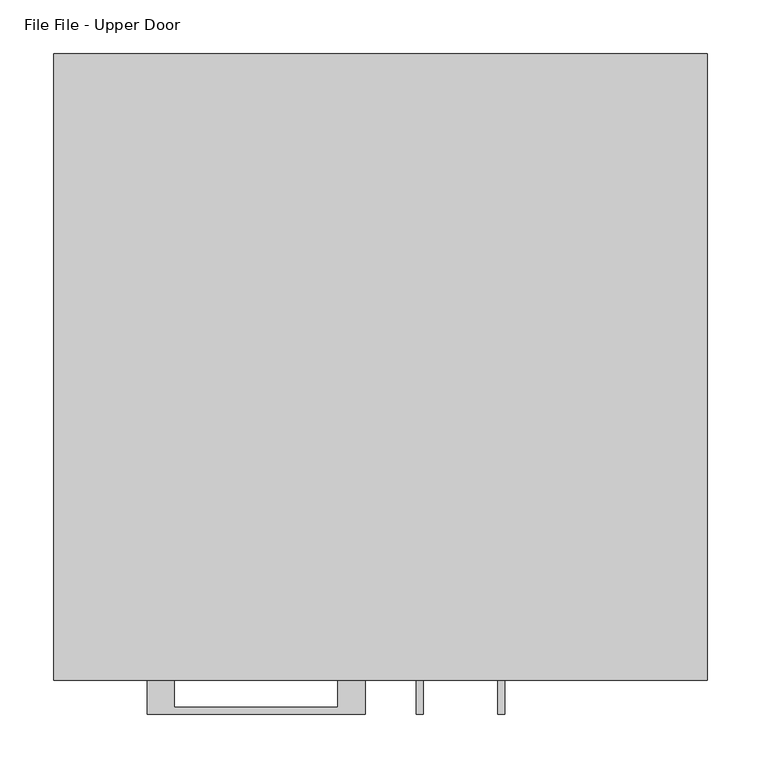
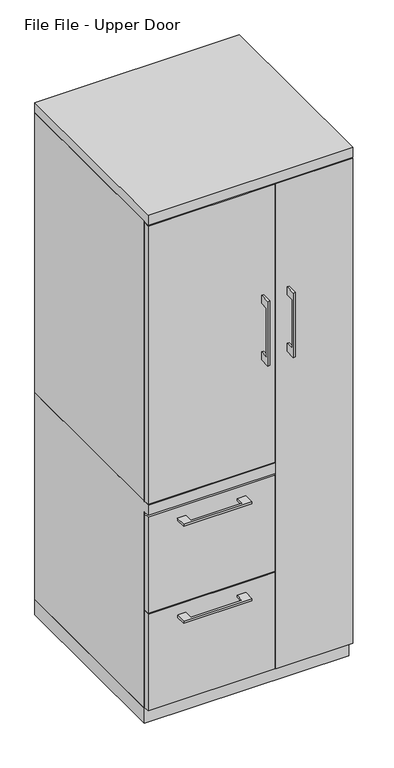
"""IFC4 building model written with IfcOpenShell, lengths in millimetres: furniture geometry, File File - Upper Door."""

import ifcopenshell
import ifcopenshell.guid

model = None  # the IFC model being written
_history = None  # IfcOwnerHistory: only IFC2X3 demands one
_inside = {}  # id of a spatial element -> (the spatial element, [elements in it])
_under = {}  # id of a project, library or spatial element -> (it, [spatial elements below it])
_declared = {}  # id of a project -> (the project, [libraries it declares])
_typed = {}  # id of a type object -> (the type object, [elements of that type])
_made_of = {}  # id of a material, layer set ... -> (it, [elements and type objects made of it])


def new_model(schema):
    """Start an empty IFC model of exactly this schema.

    Asked for "IFC4X3", IfcOpenShell would pick the latest addendum, in which some entities
    have other attributes; the version numbers below select the first issue.
    IFC2X3 requires an IfcOwnerHistory on every rooted entity: one is made here for all.
    """
    global model, _history
    if schema == "IFC4X3":
        model = ifcopenshell.file(schema_version=(4, 3, 0, 0))
    else:
        model = ifcopenshell.file(schema=schema)
    _inside.clear()
    _under.clear()
    _declared.clear()
    _typed.clear()
    _made_of.clear()
    _history = None
    if model.schema == "IFC2X3":
        org = make("IfcOrganization", Name="unknown")
        user = make(
            "IfcPersonAndOrganization",
            ThePerson=make("IfcPerson", FamilyName="unknown"),
            TheOrganization=org,
        )
        app = make(
            "IfcApplication",
            ApplicationDeveloper=org,
            Version="unknown",
            ApplicationFullName="unknown",
            ApplicationIdentifier="unknown",
        )
        _history = make(
            "IfcOwnerHistory",
            OwningUser=user,
            OwningApplication=app,
            ChangeAction="ADDED",
            CreationDate=0,
        )
    return model


def make(cls, **values):
    """One entity of the class cls with the attributes given. An attribute that is None is left unset."""
    return model.create_entity(
        cls, **{name: value for name, value in values.items() if value is not None}
    )


def rooted(cls, **values):
    """An entity with a GlobalId (a new one), such as an element, a storey or a relation."""
    return make(cls, GlobalId=ifcopenshell.guid.new(), OwnerHistory=_history, **values)


def si_unit(unit_type, name, prefix=None):
    """IfcSIUnit, for example si_unit("LENGTHUNIT", "METRE", prefix="MILLI")."""
    return make("IfcSIUnit", UnitType=unit_type, Prefix=prefix, Name=name)


def assignment(units):
    """IfcUnitAssignment: the units of a project."""
    return None if units is None else make("IfcUnitAssignment", Units=units)


def point(xyz):
    """IfcCartesianPoint."""
    return None if xyz is None else make("IfcCartesianPoint", Coordinates=xyz)


def direction(xyz):
    """IfcDirection."""
    return None if xyz is None else make("IfcDirection", DirectionRatios=xyz)


def frame(location, z_axis=None, x_axis=None):
    """IfcAxis2Placement3D, a coordinate frame: its origin and axes. An axis left out is left unset."""
    return make(
        "IfcAxis2Placement3D",
        Location=point(location),
        Axis=direction(z_axis),
        RefDirection=direction(x_axis),
    )


def origin():
    """The frame at (0, 0, 0) with its axes left unset."""
    return frame((0.0, 0.0, 0.0))


def origin_with_axes():
    """The frame at (0, 0, 0) with the z axis (0, 0, 1) and the x axis (1, 0, 0) written out."""
    return frame((0.0, 0.0, 0.0), z_axis=(0.0, 0.0, 1.0), x_axis=(1.0, 0.0, 0.0))


def place(relative_to, where):
    """IfcLocalPlacement: puts the frame where relative to a parent placement (None: the world)."""
    return make(
        "IfcLocalPlacement", PlacementRelTo=relative_to, RelativePlacement=where
    )


def context(
    kind, dimensions, precision=None, world=None, true_north=None, identifier=None
):
    """IfcGeometricRepresentationContext, for example the 3D "Model" context."""
    return make(
        "IfcGeometricRepresentationContext",
        ContextIdentifier=identifier,
        ContextType=kind,
        CoordinateSpaceDimension=dimensions,
        Precision=precision,
        WorldCoordinateSystem=world,
        TrueNorth=true_north,
    )


def project(units=None, contexts=None):
    """IfcProject with its units and contexts."""
    return rooted(
        "IfcProject",
        Name="project",
        RepresentationContexts=contexts,
        UnitsInContext=assignment(units),
    )


def spatial(cls, under=None, at=None, **own):
    """A site, building, storey or space (cls), placed at a placement, below another one or the project."""
    s = rooted(cls, ObjectPlacement=at, **own)
    if under is not None:
        _under.setdefault(under.id(), (under, []))[1].append(s)
    return s


def polyline(points):
    """IfcPolyline through the points."""
    return make("IfcPolyline", Points=[point(p) for p in points])


def outline(outer, holes=None, kind="AREA"):
    """IfcArbitraryClosedProfileDef: a profile drawn as a closed curve; with holes, ...WithVoids."""
    if holes is None:
        return make("IfcArbitraryClosedProfileDef", ProfileType=kind, OuterCurve=outer)
    return make(
        "IfcArbitraryProfileDefWithVoids",
        ProfileType=kind,
        OuterCurve=outer,
        InnerCurves=holes,
    )


def extrude(swept, where, along, depth):
    """IfcExtrudedAreaSolid: the profile swept, set in the frame where, extruded along a direction by depth."""
    return make(
        "IfcExtrudedAreaSolid",
        SweptArea=swept,
        Position=where,
        ExtrudedDirection=direction(along),
        Depth=depth,
    )


def faces_of(points, faces, orient=None, outer=None):
    """IfcFace entities. A face is a list of loops; a loop is a list of indices into points, from 0.

    orient and outer hold one flag for each loop. By default every Orientation is true, the
    first loop of a face is its IfcFaceOuterBound and the others are IfcFaceBound.
    """
    made = []
    for i, loops in enumerate(faces):
        bounds = []
        for j, loop in enumerate(loops):
            is_outer = j == 0 if outer is None else outer[i][j]
            bounds.append(
                make(
                    "IfcFaceOuterBound" if is_outer else "IfcFaceBound",
                    Bound=make("IfcPolyLoop", Polygon=[points[k] for k in loop]),
                    Orientation=True if orient is None else orient[i][j],
                )
            )
        made.append(make("IfcFace", Bounds=bounds))
    return made


def faceted_brep(points, faces, orient=None, outer=None, voids=None):
    """IfcFacetedBrep: a solid bounded by flat faces; with voids (closed shells), ...WithVoids."""
    shared = [point(p) for p in points]
    hull = make("IfcClosedShell", CfsFaces=faces_of(shared, faces, orient, outer))
    if voids is None:
        return make("IfcFacetedBrep", Outer=hull)
    return make(
        "IfcFacetedBrepWithVoids",
        Outer=hull,
        Voids=[
            make(cls, CfsFaces=faces_of(shared, fs, o, b)) for cls, fs, o, b in voids
        ],
    )


def shape(context_of_items, identifier, shape_type, items):
    """IfcShapeRepresentation: the items that make up one representation, for example the "Body"."""
    return make(
        "IfcShapeRepresentation",
        ContextOfItems=context_of_items,
        RepresentationIdentifier=identifier,
        RepresentationType=shape_type,
        Items=items,
    )


def source(mapping_origin, context_of_items, identifier, shape_type, items):
    """IfcRepresentationMap: a shape defined once, which mapped items show again and again."""
    return make(
        "IfcRepresentationMap",
        MappingOrigin=mapping_origin,
        MappedRepresentation=shape(context_of_items, identifier, shape_type, items),
    )


def transform(
    local_origin,
    x_axis=None,
    y_axis=None,
    z_axis=None,
    scale=None,
    scale2=None,
    scale3=None,
    uniform=True,
):
    """IfcCartesianTransformationOperator3D, or its non-uniform kind. x_axis, y_axis, z_axis: its Axis1, 2, 3."""
    if uniform:
        return make(
            "IfcCartesianTransformationOperator3D",
            Axis1=direction(x_axis),
            Axis2=direction(y_axis),
            LocalOrigin=point(local_origin),
            Scale=scale,
            Axis3=direction(z_axis),
        )
    return make(
        "IfcCartesianTransformationOperator3DnonUniform",
        Axis1=direction(x_axis),
        Axis2=direction(y_axis),
        LocalOrigin=point(local_origin),
        Scale=scale,
        Axis3=direction(z_axis),
        Scale2=scale2,
        Scale3=scale3,
    )


def mapped(mapping_source, mapping_target):
    """IfcMappedItem: shows the shape of a source again, moved by a transform."""
    return make(
        "IfcMappedItem", MappingSource=mapping_source, MappingTarget=mapping_target
    )


def made_of(thing, what):
    """Note that an element or type object is made of a material, layer set ...; save() writes the relation."""
    if what is not None:
        _made_of.setdefault(what.id(), (what, []))[1].append(thing)
    return thing


def element(
    cls,
    number,
    at=None,
    inside=None,
    cuts=None,
    type_object=None,
    material=None,
    context=None,
    identifier="Body",
    shape_type=None,
    held_by="IfcProductDefinitionShape",
    body=None,
    shapes=None,
    **own,
):
    """One element of the class cls, such as IfcWall. Its Tag is "e" and its number.

    at: its placement. inside: the storey or other place that contains it. cuts: it is an
    opening in that element (IfcRelVoidsElement). A single representation is given by context,
    identifier, shape_type and body (its items); several are given by shapes. held_by: the class
    of the entity that holds the representations. save() writes the other relations.
    """
    e = rooted(cls, Tag="e%d" % number, ObjectPlacement=at, **own)
    if body is not None:
        shapes = [shape(context, identifier, shape_type, body)]
    if shapes is not None:
        e.Representation = make(held_by, Representations=shapes)
    if inside is not None:
        _inside.setdefault(inside.id(), (inside, []))[1].append(e)
    if cuts is not None:
        rooted(
            "IfcRelVoidsElement", RelatingBuildingElement=cuts, RelatedOpeningElement=e
        )
    if type_object is not None:
        _typed.setdefault(type_object.id(), (type_object, []))[1].append(e)
    return made_of(e, material)


def aggregate(whole, parts):
    """IfcRelAggregates: a whole, such as a stair, and the parts it consists of."""
    return rooted("IfcRelAggregates", RelatingObject=whole, RelatedObjects=parts)


def save(model, path):
    """Write the relations noted so far, then the file.

    IfcRelAggregates (storeys below a building ...), IfcRelContainedInSpatialStructure (elements
    in a storey), IfcRelDefinesByType, IfcRelAssociatesMaterial and IfcRelDeclares: one each for
    every whole, place, type object, material and project.
    """
    for whole, parts in _under.values():
        aggregate(whole, parts)
    for where, things in _inside.values():
        rooted(
            "IfcRelContainedInSpatialStructure",
            RelatedElements=things,
            RelatingStructure=where,
        )
    for kind, things in _typed.values():
        rooted("IfcRelDefinesByType", RelatedObjects=things, RelatingType=kind)
    for what, things in _made_of.values():
        rooted("IfcRelAssociatesMaterial", RelatedObjects=things, RelatingMaterial=what)
    for by, libraries in _declared.values():
        rooted("IfcRelDeclares", RelatingContext=by, RelatedDefinitions=libraries)
    model.write(path)


def file_file_upper_door_64c403cf(model_context):
    return source(origin(), model_context, "Body", "SolidModel", [
        extrude(outline(polyline([(-584.2, 1216.025), (-609.5999758, 1216.025), (-609.5999758, 1063.625), (-584.2, 1063.625), (-584.2, 1038.225), (-615.9499879, 1038.225), (-615.9499879, 1241.425), (-584.2, 1241.425), (-584.2, 1216.025)])), frame((33.3375121, 0.0, 0.0), z_axis=(1.0, 0.0, 0.0), x_axis=(0.0, 1.0, 0.0)), (0.0, 0.0, 1.0), 6.3499758),
        extrude(outline(polyline([(-304.8, -584.2), (-304.8, -565.15), (73.025, -565.15), (73.025, -584.2), (-304.8, -584.2)])), frame((0.0, 0.0, 701.675), z_axis=(0.0, 0.0, 1.0), x_axis=(1.0, 0.0, 0.0)), (0.0, 0.0, 1.0), 876.3),
        extrude(outline(polyline([(-192.0874818, -584.2), (-192.0874818, -609.5999758), (-39.6875, -609.5999758), (-39.6875, -584.2), (-14.2875061, -584.2), (-14.2875061, -615.9499879), (-217.4874939, -615.9499879), (-217.4874939, -584.2), (-192.0874818, -584.2)])), frame((0.0, 0.0, 620.7125506), z_axis=(0.0, 0.0, 1.0), x_axis=(1.0, 0.0, 0.0)), (0.0, 0.0, 1.0), 6.3499758),
        extrude(outline(polyline([(73.025, -565.15), (73.025, -584.2), (-304.8, -584.2), (-304.8, -565.15), (73.025, -565.15)])), frame((0.0, 0.0, 358.775), z_axis=(0.0, 0.0, 1.0), x_axis=(1.0, 0.0, 0.0)), (0.0, 0.0, 1.0), 301.625),
        extrude(outline(polyline([(-584.2, 1216.025), (-609.5999758, 1216.025), (-609.5999758, 1063.625), (-584.2, 1063.625), (-584.2, 1038.225), (-615.9499879, 1038.225), (-615.9499879, 1241.425), (-584.2, 1241.425), (-584.2, 1216.025)])), frame((109.5375121, 0.0, 0.0), z_axis=(1.0, 0.0, 0.0), x_axis=(0.0, 1.0, 0.0)), (0.0, 0.0, 1.0), 6.3499758),
        extrude(outline(polyline([(304.8, -584.2), (76.2, -584.2), (76.2, -565.15), (304.8, -565.15), (304.8, -584.2)])), frame((0.0, 0.0, 50.8), z_axis=(0.0, 0.0, 1.0), x_axis=(1.0, 0.0, 0.0)), (0.0, 0.0, 1.0), 1527.175),
        extrude(outline(polyline([(-192.0874818, -584.2), (-192.0874818, -609.5999758), (-39.6875, -609.5999758), (-39.6875, -584.2), (-14.2875061, -584.2), (-14.2875061, -615.9499879), (-217.4874939, -615.9499879), (-217.4874939, -584.2), (-192.0874818, -584.2)])), frame((0.0, 0.0, 315.9125506), z_axis=(0.0, 0.0, 1.0), x_axis=(1.0, 0.0, 0.0)), (0.0, 0.0, 1.0), 6.3499758),
        extrude(outline(polyline([(73.025, -565.15), (73.025, -584.2), (-304.8, -584.2), (-304.8, -565.15), (73.025, -565.15)])), frame((0.0, 0.0, 50.8), z_axis=(0.0, 0.0, 1.0), x_axis=(1.0, 0.0, 0.0)), (0.0, 0.0, 1.0), 304.8),
        faceted_brep([(76.2, -19.05, 1581.15), (57.15, -19.05, 1581.15), (57.15, -565.15, 1581.15), (76.2, -565.15, 1581.15), (-304.8, -565.15, 47.625), (-304.8, 0.0, 47.625), (76.2, 0.0, 47.625), (76.2, -565.15, 47.625), (76.2, -19.05, 698.5), (57.15, -19.05, 698.5), (76.2, -565.15, 698.5), (76.2, -584.2, 698.5), (76.2, -584.2, 666.75), (76.2, -565.15, 666.75), (76.2, 0.0, 698.5), (57.15, -565.15, 698.5), (-304.8, -565.15, 666.75), (57.15, -565.15, 666.75), (-304.8, 0.0, 698.5), (-304.8, -584.2, 666.75), (-304.8, -584.2, 698.5)], [[[0, 1, 2, 3]], [[4, 5, 6, 7]], [[1, 0, 8, 9]], [[0, 3, 10, 11, 12, 13, 7, 6, 14, 8]], [[2, 1, 9, 15]], [[3, 2, 15, 10]], [[16, 4, 7, 13, 17]], [[14, 6, 5, 18]], [[18, 5, 4, 16, 19, 20]], [[14, 18, 20, 11, 10, 15, 9, 8]], [[12, 19, 16, 17, 13]], [[11, 20, 19, 12]]]),
        extrude(outline(polyline([(76.2, 0.0), (76.2, -19.05), (-285.75, -19.05), (-285.75, -565.15), (-304.8, -565.15), (-304.8, 0.0), (76.2, 0.0)])), frame((0.0, 0.0, 698.5), z_axis=(0.0, 0.0, 1.0), x_axis=(1.0, 0.0, 0.0)), (0.0, 0.0, 1.0), 882.65),
        extrude(outline(polyline([(304.8, 0.0), (304.8, -565.15), (285.75, -565.15), (285.75, -19.05), (76.2, -19.05), (76.2, 0.0), (304.8, 0.0)])), frame((0.0, 0.0, 47.625), z_axis=(0.0, 0.0, 1.0), x_axis=(1.0, 0.0, 0.0)), (0.0, 0.0, 1.0), 1533.525),
        extrude(outline(polyline([(304.8, 0.0), (304.8, -584.2), (-304.8, -584.2), (-304.8, 0.0), (304.8, 0.0)])), frame((0.0, 0.0, 1581.15), z_axis=(0.0, 0.0, 1.0), x_axis=(1.0, 0.0, 0.0)), (0.0, 0.0, 1.0), 31.75),
        extrude(outline(polyline([(304.8, 0.0), (304.8, -565.15), (-304.8, -565.15), (-304.8, 0.0), (304.8, 0.0)])), origin_with_axes(), (0.0, 0.0, 1.0), 47.625),
    ])


if __name__ == "__main__":
    model = new_model("IFC4")
    model_context = context("Model", 3, world=origin())
    ifc_project = project(units=[si_unit("LENGTHUNIT", "METRE", prefix="MILLI")], contexts=[model_context])
    site = spatial("IfcSite", under=ifc_project)
    building = spatial("IfcBuilding", under=site)
    placement = place(None, origin())
    file_file_upper_door_shape = file_file_upper_door_64c403cf(model_context)
    element("IfcFurniture", 1, ObjectType="File File - Upper Door", at=placement, inside=building, context=model_context, shape_type="MappedRepresentation", body=[
        mapped(file_file_upper_door_shape, transform((0.0, 0.0, 0.0), x_axis=(1.0, 0.0, 0.0), y_axis=(0.0, 1.0, 0.0), z_axis=(0.0, 0.0, 1.0))),
    ])
    save(model, "model.ifc")
